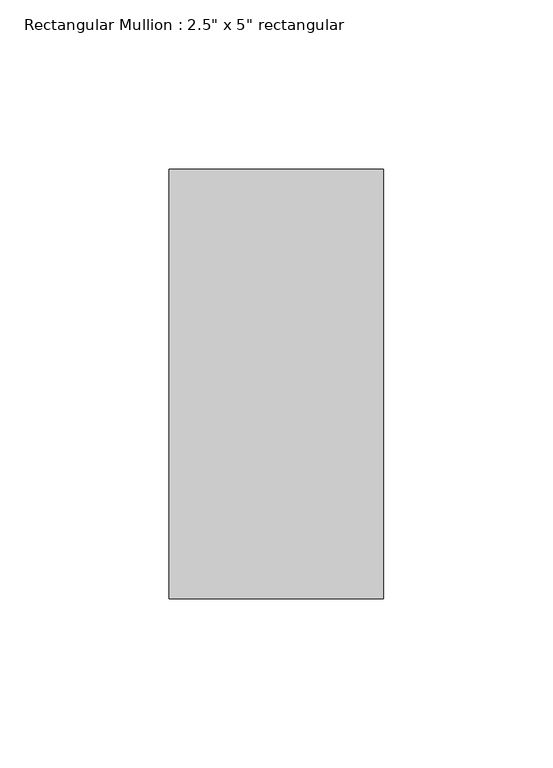
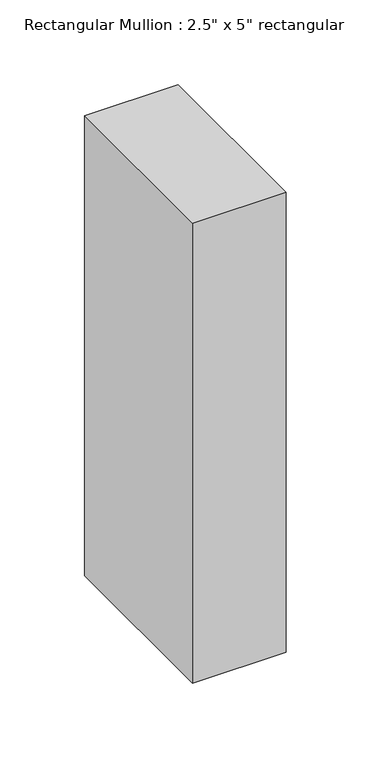
"""IFC4 building model written with IfcOpenShell, lengths in millimetres: member geometry."""

from ifc_helpers import new_model, si_unit, frame, origin, place, context, project, spatial, polyline, outline, extrude, source, transform, mapped, element, save


def member_0c1408be(model_context):
    return source(origin(), model_context, "Body", "SweptSolid", [
        extrude(outline(polyline([(31.75, 63.5), (31.75, -63.5), (-31.75, -63.5), (-31.75, 63.5), (31.75, 63.5)])), frame((0.0, 0.0, -330.2), z_axis=(0.0, 0.0, 1.0), x_axis=(1.0, 0.0, 0.0)), (0.0, 0.0, 1.0), 330.2),
    ])


if __name__ == "__main__":
    model = new_model("IFC4")
    model_context = context("Model", 3, world=origin())
    ifc_project = project(units=[si_unit("LENGTHUNIT", "METRE", prefix="MILLI")], contexts=[model_context])
    site = spatial("IfcSite", under=ifc_project)
    building = spatial("IfcBuilding", under=site)
    placement = place(None, origin())
    member_shape = member_0c1408be(model_context)
    element("IfcMember", 1, ObjectType="Rectangular Mullion : 2.5\" x 5\" rectangular", at=placement, inside=building, context=model_context, shape_type="MappedRepresentation", body=[
        mapped(member_shape, transform((0.0, 0.0, 0.0), x_axis=(1.0, 0.0, 0.0), y_axis=(0.0, 1.0, 0.0), z_axis=(0.0, 0.0, 1.0))),
    ])
    save(model, "model.ifc")
